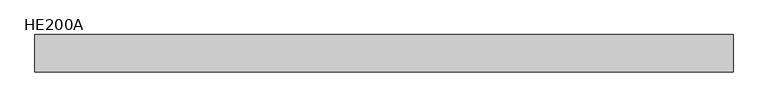
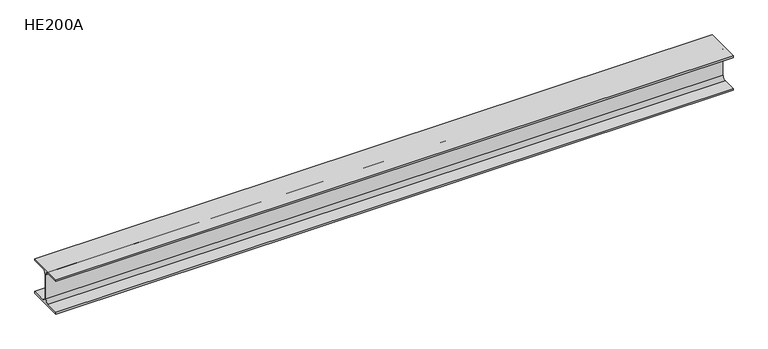
"""IFC4 building model written with IfcOpenShell, lengths in millimetres: beam geometry, HE200A."""

from ifc_helpers import new_model, si_unit, point, frame, frame_2d, origin, place, context, project, spatial, polyline, circle_curve, trimmed, segment, composite_curve, outline, extrude, source, transform, mapped, element, save


def he200a_0884923d(model_context):
    return source(origin(), model_context, "Body", "SweptSolid", [
        extrude(outline(composite_curve([segment(polyline([(100.0, -90.0), (100.0, -100.0), (-100.0, -100.0), (-100.0, -90.0), (-24.0, -90.0)]), True, "CONTINUOUS"), segment(trimmed(circle_curve(frame_2d((-24.0, -70.0)), 20.0), [point((-24.0, -90.0))], [point((-4.0, -70.0))], True, "CARTESIAN"), True, "CONTINUOUS"), segment(polyline([(-4.0, -70.0), (-4.0, 70.0)]), True, "CONTINUOUS"), segment(trimmed(circle_curve(frame_2d((-24.0, 70.0)), 20.0), [point((-4.0, 70.0))], [point((-24.0, 90.0))], True, "CARTESIAN"), True, "CONTINUOUS"), segment(polyline([(-24.0, 90.0), (-100.0, 90.0), (-100.0, 100.0), (100.0, 100.0), (100.0, 90.0), (24.0, 90.0)]), True, "CONTINUOUS"), segment(trimmed(circle_curve(frame_2d((24.0, 70.0)), 20.0), [point((24.0, 90.0))], [point((4.0, 70.0))], True, "CARTESIAN"), True, "CONTINUOUS"), segment(polyline([(4.0, 70.0), (4.0, -70.0)]), True, "CONTINUOUS"), segment(trimmed(circle_curve(frame_2d((24.0, -70.0)), 20.0), [point((4.0, -70.0))], [point((24.0, -90.0))], True, "CARTESIAN"), True, "CONTINUOUS"), segment(polyline([(24.0, -90.0), (100.0, -90.0)]), True, "CONTINUOUS")], self_intersect=False)), frame((-1863.5, 0.0, 0.0), z_axis=(1.0, 0.0, 0.0), x_axis=(0.0, 1.0, 0.0)), (0.0, 0.0, 1.0), 3716.0),
    ])


if __name__ == "__main__":
    model = new_model("IFC4")
    model_context = context("Model", 3, world=origin())
    ifc_project = project(units=[si_unit("LENGTHUNIT", "METRE", prefix="MILLI")], contexts=[model_context])
    site = spatial("IfcSite", under=ifc_project)
    building = spatial("IfcBuilding", under=site)
    placement = place(None, origin())
    he200a_shape = he200a_0884923d(model_context)
    element("IfcBeam", 1, ObjectType="HE200A", at=placement, inside=building, context=model_context, shape_type="MappedRepresentation", body=[
        mapped(he200a_shape, transform((0.0, 0.0, 0.0), x_axis=(1.0, 0.0, 0.0), y_axis=(0.0, 1.0, 0.0), z_axis=(0.0, 0.0, 1.0))),
    ])
    save(model, "model.ifc")
